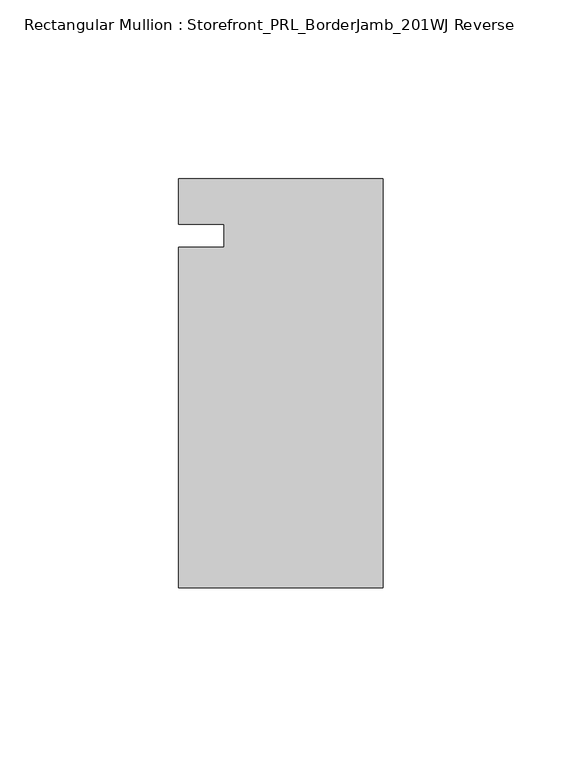
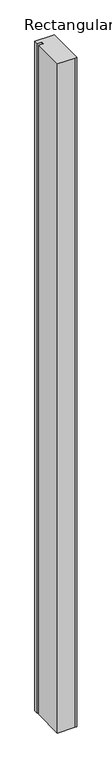
"""IFC4 building model written with IfcOpenShell, lengths in millimetres: member geometry, Rectangular Mullion : Storefront_PRL_BorderJamb_201WJ Reverse."""

from ifc_helpers import new_model, si_unit, frame, origin, place, context, project, spatial, polyline, outline, extrude, source, transform, mapped, element, save


def rectangular_mullion_storefront_prl_borderjamb_201wj_reverse_582a9ef0(model_context):
    return source(origin(), model_context, "Body", "SweptSolid", [
        extrude(outline(polyline([(-44.45, -3.175), (-44.45, 3.175), (-57.15, 3.175), (-57.15, 15.875), (-7.3958824, 15.875), (0.0, 15.875), (0.0, -98.425), (-6.35, -98.425), (-57.15, -98.425), (-57.15, -3.175), (-44.45, -3.175)])), frame((0.0, 0.0, -2072.48125), z_axis=(0.0, 0.0, 1.0), x_axis=(1.0, 0.0, 0.0)), (0.0, 0.0, 1.0), 2072.48125),
    ])


if __name__ == "__main__":
    model = new_model("IFC4")
    model_context = context("Model", 3, world=origin())
    ifc_project = project(units=[si_unit("LENGTHUNIT", "METRE", prefix="MILLI")], contexts=[model_context])
    site = spatial("IfcSite", under=ifc_project)
    building = spatial("IfcBuilding", under=site)
    placement = place(None, origin())
    rectangular_mullion_storefront_prl_borderjamb_201wj_reverse_shape = rectangular_mullion_storefront_prl_borderjamb_201wj_reverse_582a9ef0(model_context)
    element("IfcMember", 1, ObjectType="Rectangular Mullion : Storefront_PRL_BorderJamb_201WJ Reverse", at=placement, inside=building, context=model_context, shape_type="MappedRepresentation", body=[
        mapped(rectangular_mullion_storefront_prl_borderjamb_201wj_reverse_shape, transform((0.0, 0.0, 0.0), x_axis=(1.0, 0.0, 0.0), y_axis=(0.0, 1.0, 0.0), z_axis=(0.0, 0.0, 1.0))),
    ])
    save(model, "model.ifc")
